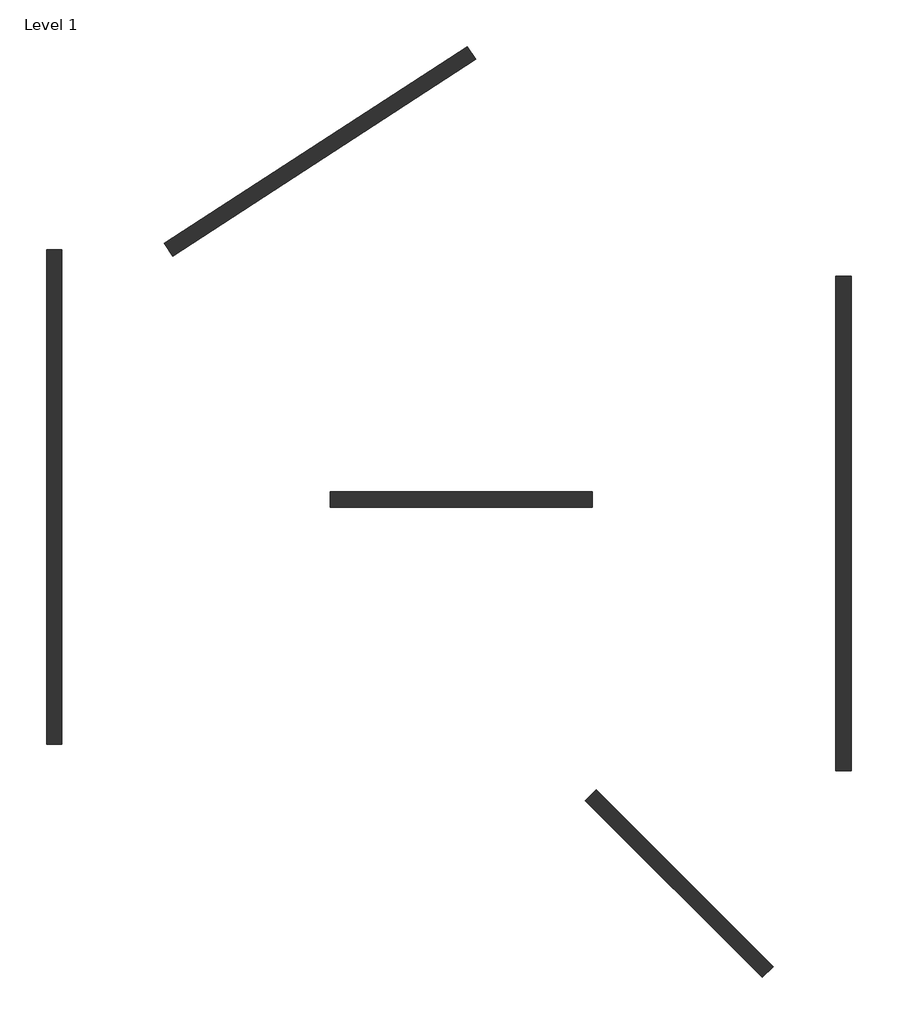
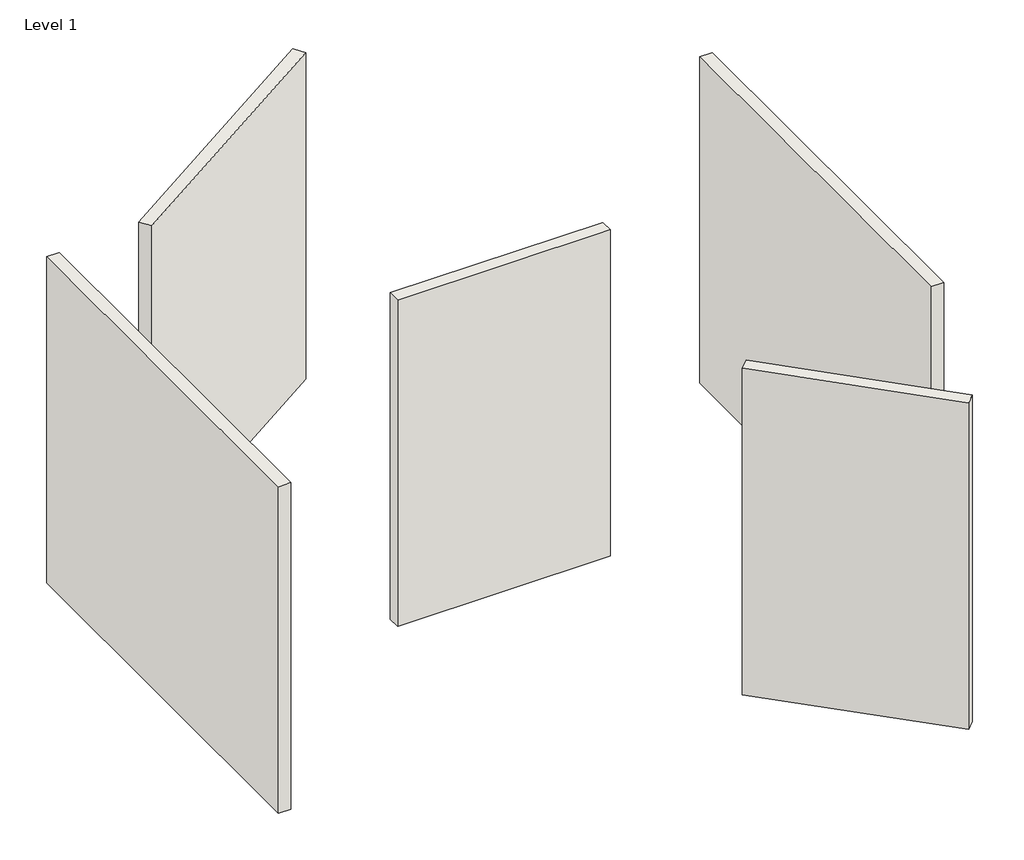
# One storey: 5 walls.
"""IFC4 building model written with IfcOpenShell, lengths in millimetres."""

import ifcopenshell
import ifcopenshell.guid

model = None  # the IFC model being written
_history = None  # IfcOwnerHistory: only IFC2X3 demands one
_inside = {}  # id of a spatial element -> (the spatial element, [elements in it])
_under = {}  # id of a project, library or spatial element -> (it, [spatial elements below it])
_declared = {}  # id of a project -> (the project, [libraries it declares])
_typed = {}  # id of a type object -> (the type object, [elements of that type])
_made_of = {}  # id of a material, layer set ... -> (it, [elements and type objects made of it])


def new_model(schema):
    """Start an empty IFC model of exactly this schema.

    Asked for "IFC4X3", IfcOpenShell would pick the latest addendum, in which some entities
    have other attributes; the version numbers below select the first issue.
    IFC2X3 requires an IfcOwnerHistory on every rooted entity: one is made here for all.
    """
    global model, _history
    if schema == "IFC4X3":
        model = ifcopenshell.file(schema_version=(4, 3, 0, 0))
    else:
        model = ifcopenshell.file(schema=schema)
    _inside.clear()
    _under.clear()
    _declared.clear()
    _typed.clear()
    _made_of.clear()
    _history = None
    if model.schema == "IFC2X3":
        org = make("IfcOrganization", Name="unknown")
        user = make(
            "IfcPersonAndOrganization",
            ThePerson=make("IfcPerson", FamilyName="unknown"),
            TheOrganization=org,
        )
        app = make(
            "IfcApplication",
            ApplicationDeveloper=org,
            Version="unknown",
            ApplicationFullName="unknown",
            ApplicationIdentifier="unknown",
        )
        _history = make(
            "IfcOwnerHistory",
            OwningUser=user,
            OwningApplication=app,
            ChangeAction="ADDED",
            CreationDate=0,
        )
    return model


def make(cls, **values):
    """One entity of the class cls with the attributes given. An attribute that is None is left unset."""
    return model.create_entity(
        cls, **{name: value for name, value in values.items() if value is not None}
    )


def rooted(cls, **values):
    """An entity with a GlobalId (a new one), such as an element, a storey or a relation."""
    return make(cls, GlobalId=ifcopenshell.guid.new(), OwnerHistory=_history, **values)


def si_unit(unit_type, name, prefix=None):
    """IfcSIUnit, for example si_unit("LENGTHUNIT", "METRE", prefix="MILLI")."""
    return make("IfcSIUnit", UnitType=unit_type, Prefix=prefix, Name=name)


def assignment(units):
    """IfcUnitAssignment: the units of a project."""
    return None if units is None else make("IfcUnitAssignment", Units=units)


def point(xyz):
    """IfcCartesianPoint."""
    return None if xyz is None else make("IfcCartesianPoint", Coordinates=xyz)


def direction(xyz):
    """IfcDirection."""
    return None if xyz is None else make("IfcDirection", DirectionRatios=xyz)


def frame(location, z_axis=None, x_axis=None):
    """IfcAxis2Placement3D, a coordinate frame: its origin and axes. An axis left out is left unset."""
    return make(
        "IfcAxis2Placement3D",
        Location=point(location),
        Axis=direction(z_axis),
        RefDirection=direction(x_axis),
    )


def origin():
    """The frame at (0, 0, 0) with its axes left unset."""
    return frame((0.0, 0.0, 0.0))


def origin_with_axes():
    """The frame at (0, 0, 0) with the z axis (0, 0, 1) and the x axis (1, 0, 0) written out."""
    return frame((0.0, 0.0, 0.0), z_axis=(0.0, 0.0, 1.0), x_axis=(1.0, 0.0, 0.0))


def place(relative_to, where):
    """IfcLocalPlacement: puts the frame where relative to a parent placement (None: the world)."""
    return make(
        "IfcLocalPlacement", PlacementRelTo=relative_to, RelativePlacement=where
    )


def context(
    kind, dimensions, precision=None, world=None, true_north=None, identifier=None
):
    """IfcGeometricRepresentationContext, for example the 3D "Model" context."""
    return make(
        "IfcGeometricRepresentationContext",
        ContextIdentifier=identifier,
        ContextType=kind,
        CoordinateSpaceDimension=dimensions,
        Precision=precision,
        WorldCoordinateSystem=world,
        TrueNorth=true_north,
    )


def project(units=None, contexts=None):
    """IfcProject with its units and contexts."""
    return rooted(
        "IfcProject",
        Name="project",
        RepresentationContexts=contexts,
        UnitsInContext=assignment(units),
    )


def spatial(cls, under=None, at=None, **own):
    """A site, building, storey or space (cls), placed at a placement, below another one or the project."""
    s = rooted(cls, ObjectPlacement=at, **own)
    if under is not None:
        _under.setdefault(under.id(), (under, []))[1].append(s)
    return s


def polyline(points):
    """IfcPolyline through the points."""
    return make("IfcPolyline", Points=[point(p) for p in points])


def outline(outer, holes=None, kind="AREA"):
    """IfcArbitraryClosedProfileDef: a profile drawn as a closed curve; with holes, ...WithVoids."""
    if holes is None:
        return make("IfcArbitraryClosedProfileDef", ProfileType=kind, OuterCurve=outer)
    return make(
        "IfcArbitraryProfileDefWithVoids",
        ProfileType=kind,
        OuterCurve=outer,
        InnerCurves=holes,
    )


def extrude(swept, where, along, depth):
    """IfcExtrudedAreaSolid: the profile swept, set in the frame where, extruded along a direction by depth."""
    return make(
        "IfcExtrudedAreaSolid",
        SweptArea=swept,
        Position=where,
        ExtrudedDirection=direction(along),
        Depth=depth,
    )


def shape(context_of_items, identifier, shape_type, items):
    """IfcShapeRepresentation: the items that make up one representation, for example the "Body"."""
    return make(
        "IfcShapeRepresentation",
        ContextOfItems=context_of_items,
        RepresentationIdentifier=identifier,
        RepresentationType=shape_type,
        Items=items,
    )


def made_of(thing, what):
    """Note that an element or type object is made of a material, layer set ...; save() writes the relation."""
    if what is not None:
        _made_of.setdefault(what.id(), (what, []))[1].append(thing)
    return thing


def element(
    cls,
    number,
    at=None,
    inside=None,
    cuts=None,
    type_object=None,
    material=None,
    context=None,
    identifier="Body",
    shape_type=None,
    held_by="IfcProductDefinitionShape",
    body=None,
    shapes=None,
    **own,
):
    """One element of the class cls, such as IfcWall. Its Tag is "e" and its number.

    at: its placement. inside: the storey or other place that contains it. cuts: it is an
    opening in that element (IfcRelVoidsElement). A single representation is given by context,
    identifier, shape_type and body (its items); several are given by shapes. held_by: the class
    of the entity that holds the representations. save() writes the other relations.
    """
    e = rooted(cls, Tag="e%d" % number, ObjectPlacement=at, **own)
    if body is not None:
        shapes = [shape(context, identifier, shape_type, body)]
    if shapes is not None:
        e.Representation = make(held_by, Representations=shapes)
    if inside is not None:
        _inside.setdefault(inside.id(), (inside, []))[1].append(e)
    if cuts is not None:
        rooted(
            "IfcRelVoidsElement", RelatingBuildingElement=cuts, RelatedOpeningElement=e
        )
    if type_object is not None:
        _typed.setdefault(type_object.id(), (type_object, []))[1].append(e)
    return made_of(e, material)


def aggregate(whole, parts):
    """IfcRelAggregates: a whole, such as a stair, and the parts it consists of."""
    return rooted("IfcRelAggregates", RelatingObject=whole, RelatedObjects=parts)


def save(model, path):
    """Write the relations noted so far, then the file.

    IfcRelAggregates (storeys below a building ...), IfcRelContainedInSpatialStructure (elements
    in a storey), IfcRelDefinesByType, IfcRelAssociatesMaterial and IfcRelDeclares: one each for
    every whole, place, type object, material and project.
    """
    for whole, parts in _under.values():
        aggregate(whole, parts)
    for where, things in _inside.values():
        rooted(
            "IfcRelContainedInSpatialStructure",
            RelatedElements=things,
            RelatingStructure=where,
        )
    for kind, things in _typed.values():
        rooted("IfcRelDefinesByType", RelatedObjects=things, RelatingType=kind)
    for what, things in _made_of.values():
        rooted("IfcRelAssociatesMaterial", RelatedObjects=things, RelatingMaterial=what)
    for by, libraries in _declared.values():
        rooted("IfcRelDeclares", RelatingContext=by, RelatedDefinitions=libraries)
    model.write(path)


model = new_model("IFC4")

# Units and contexts
model_context = context("Model", 3, world=origin())
ifc_project = project(units=[si_unit("LENGTHUNIT", "METRE", prefix="MILLI")], contexts=[model_context])

# Site, building, storey
site = spatial("IfcSite", under=ifc_project)
building = spatial("IfcBuilding", under=site)
storey = spatial("IfcBuildingStorey", under=building, Name="Level 1", Elevation=0.0)

# Walls
placement = place(None, origin())
element("IfcWall", 1, at=placement, inside=storey, context=model_context, shape_type="SweptSolid", body=[
    extrude(outline(polyline([(-9596.9946824, -4392.1397481), (-9596.9946824, 4907.8602519), (-9306.9946824, 4907.8602519), (-9306.9946824, -4392.1397481), (-9596.9946824, -4392.1397481)])), origin_with_axes(), (0.0, 0.0, 1.0), 8000.0),
])
element("IfcWall", 2, at=placement, inside=storey, context=model_context, shape_type="SweptSolid", body=[
    extrude(outline(polyline([(-1525.0621603, 8489.7984576), (-7228.0220224, 4786.2530195), (-7385.9673425, 5029.4674842), (-1683.0074805, 8733.0129223), (-1525.0621603, 8489.7984576)])), origin_with_axes(), (0.0, 0.0, 1.0), 8000.0),
])
element("IfcWall", 3, at=placement, inside=storey, context=model_context, shape_type="SweptSolid", body=[
    extrude(outline(polyline([(5244.7717929, -4883.5889692), (5244.7717929, 4416.4110308), (5534.7717929, 4416.4110308), (5534.7717929, -4883.5889692), (5244.7717929, -4883.5889692)])), origin_with_axes(), (0.0, 0.0, 1.0), 8000.0),
])
element("IfcWall", 4, at=placement, inside=storey, context=model_context, shape_type="SweptSolid", body=[
    extrude(outline(polyline([(664.3997103, 70.2514507), (-4259.578895, 70.2514507), (-4259.578895, 360.2514507), (664.3997103, 360.2514507), (664.3997103, 70.2514507)])), origin_with_axes(), (0.0, 0.0, 1.0), 8000.0),
])
element("IfcWall", 5, at=placement, inside=storey, context=model_context, shape_type="SweptSolid", body=[
    extrude(outline(polyline([(3859.9673779, -8772.979182), (536.5655063, -5449.5773104), (741.6264728, -5244.5163439), (4065.0283444, -8567.9182154), (3859.9673779, -8772.979182)])), origin_with_axes(), (0.0, 0.0, 1.0), 8000.0),
])

save(model, "model.ifc")
